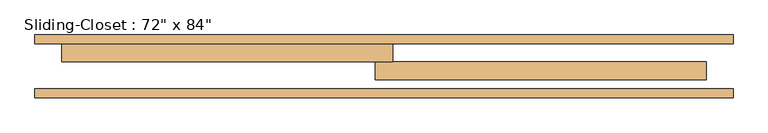
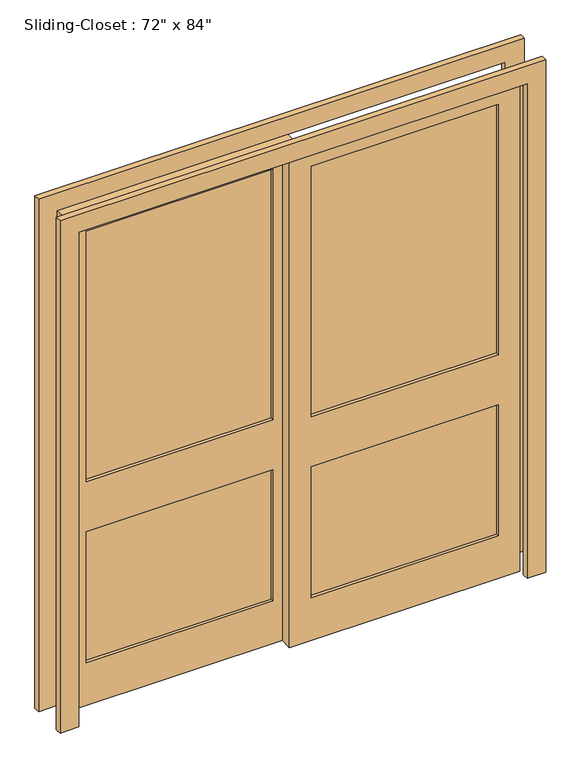
"""IFC4 building model written with IfcOpenShell, lengths in millimetres: door geometry."""

import ifcopenshell
import ifcopenshell.guid

model = None  # the IFC model being written
_history = None  # IfcOwnerHistory: only IFC2X3 demands one
_inside = {}  # id of a spatial element -> (the spatial element, [elements in it])
_under = {}  # id of a project, library or spatial element -> (it, [spatial elements below it])
_declared = {}  # id of a project -> (the project, [libraries it declares])
_typed = {}  # id of a type object -> (the type object, [elements of that type])
_made_of = {}  # id of a material, layer set ... -> (it, [elements and type objects made of it])


def new_model(schema):
    """Start an empty IFC model of exactly this schema.

    Asked for "IFC4X3", IfcOpenShell would pick the latest addendum, in which some entities
    have other attributes; the version numbers below select the first issue.
    IFC2X3 requires an IfcOwnerHistory on every rooted entity: one is made here for all.
    """
    global model, _history
    if schema == "IFC4X3":
        model = ifcopenshell.file(schema_version=(4, 3, 0, 0))
    else:
        model = ifcopenshell.file(schema=schema)
    _inside.clear()
    _under.clear()
    _declared.clear()
    _typed.clear()
    _made_of.clear()
    _history = None
    if model.schema == "IFC2X3":
        org = make("IfcOrganization", Name="unknown")
        user = make(
            "IfcPersonAndOrganization",
            ThePerson=make("IfcPerson", FamilyName="unknown"),
            TheOrganization=org,
        )
        app = make(
            "IfcApplication",
            ApplicationDeveloper=org,
            Version="unknown",
            ApplicationFullName="unknown",
            ApplicationIdentifier="unknown",
        )
        _history = make(
            "IfcOwnerHistory",
            OwningUser=user,
            OwningApplication=app,
            ChangeAction="ADDED",
            CreationDate=0,
        )
    return model


def make(cls, **values):
    """One entity of the class cls with the attributes given. An attribute that is None is left unset."""
    return model.create_entity(
        cls, **{name: value for name, value in values.items() if value is not None}
    )


def rooted(cls, **values):
    """An entity with a GlobalId (a new one), such as an element, a storey or a relation."""
    return make(cls, GlobalId=ifcopenshell.guid.new(), OwnerHistory=_history, **values)


def si_unit(unit_type, name, prefix=None):
    """IfcSIUnit, for example si_unit("LENGTHUNIT", "METRE", prefix="MILLI")."""
    return make("IfcSIUnit", UnitType=unit_type, Prefix=prefix, Name=name)


def assignment(units):
    """IfcUnitAssignment: the units of a project."""
    return None if units is None else make("IfcUnitAssignment", Units=units)


def point(xyz):
    """IfcCartesianPoint."""
    return None if xyz is None else make("IfcCartesianPoint", Coordinates=xyz)


def direction(xyz):
    """IfcDirection."""
    return None if xyz is None else make("IfcDirection", DirectionRatios=xyz)


def frame(location, z_axis=None, x_axis=None):
    """IfcAxis2Placement3D, a coordinate frame: its origin and axes. An axis left out is left unset."""
    return make(
        "IfcAxis2Placement3D",
        Location=point(location),
        Axis=direction(z_axis),
        RefDirection=direction(x_axis),
    )


def origin():
    """The frame at (0, 0, 0) with its axes left unset."""
    return frame((0.0, 0.0, 0.0))


def place(relative_to, where):
    """IfcLocalPlacement: puts the frame where relative to a parent placement (None: the world)."""
    return make(
        "IfcLocalPlacement", PlacementRelTo=relative_to, RelativePlacement=where
    )


def context(
    kind, dimensions, precision=None, world=None, true_north=None, identifier=None
):
    """IfcGeometricRepresentationContext, for example the 3D "Model" context."""
    return make(
        "IfcGeometricRepresentationContext",
        ContextIdentifier=identifier,
        ContextType=kind,
        CoordinateSpaceDimension=dimensions,
        Precision=precision,
        WorldCoordinateSystem=world,
        TrueNorth=true_north,
    )


def project(units=None, contexts=None):
    """IfcProject with its units and contexts."""
    return rooted(
        "IfcProject",
        Name="project",
        RepresentationContexts=contexts,
        UnitsInContext=assignment(units),
    )


def spatial(cls, under=None, at=None, **own):
    """A site, building, storey or space (cls), placed at a placement, below another one or the project."""
    s = rooted(cls, ObjectPlacement=at, **own)
    if under is not None:
        _under.setdefault(under.id(), (under, []))[1].append(s)
    return s


def polyline(points):
    """IfcPolyline through the points."""
    return make("IfcPolyline", Points=[point(p) for p in points])


def outline(outer, holes=None, kind="AREA"):
    """IfcArbitraryClosedProfileDef: a profile drawn as a closed curve; with holes, ...WithVoids."""
    if holes is None:
        return make("IfcArbitraryClosedProfileDef", ProfileType=kind, OuterCurve=outer)
    return make(
        "IfcArbitraryProfileDefWithVoids",
        ProfileType=kind,
        OuterCurve=outer,
        InnerCurves=holes,
    )


def extrude(swept, where, along, depth):
    """IfcExtrudedAreaSolid: the profile swept, set in the frame where, extruded along a direction by depth."""
    return make(
        "IfcExtrudedAreaSolid",
        SweptArea=swept,
        Position=where,
        ExtrudedDirection=direction(along),
        Depth=depth,
    )


def shape(context_of_items, identifier, shape_type, items):
    """IfcShapeRepresentation: the items that make up one representation, for example the "Body"."""
    return make(
        "IfcShapeRepresentation",
        ContextOfItems=context_of_items,
        RepresentationIdentifier=identifier,
        RepresentationType=shape_type,
        Items=items,
    )


def source(mapping_origin, context_of_items, identifier, shape_type, items):
    """IfcRepresentationMap: a shape defined once, which mapped items show again and again."""
    return make(
        "IfcRepresentationMap",
        MappingOrigin=mapping_origin,
        MappedRepresentation=shape(context_of_items, identifier, shape_type, items),
    )


def transform(
    local_origin,
    x_axis=None,
    y_axis=None,
    z_axis=None,
    scale=None,
    scale2=None,
    scale3=None,
    uniform=True,
):
    """IfcCartesianTransformationOperator3D, or its non-uniform kind. x_axis, y_axis, z_axis: its Axis1, 2, 3."""
    if uniform:
        return make(
            "IfcCartesianTransformationOperator3D",
            Axis1=direction(x_axis),
            Axis2=direction(y_axis),
            LocalOrigin=point(local_origin),
            Scale=scale,
            Axis3=direction(z_axis),
        )
    return make(
        "IfcCartesianTransformationOperator3DnonUniform",
        Axis1=direction(x_axis),
        Axis2=direction(y_axis),
        LocalOrigin=point(local_origin),
        Scale=scale,
        Axis3=direction(z_axis),
        Scale2=scale2,
        Scale3=scale3,
    )


def mapped(mapping_source, mapping_target):
    """IfcMappedItem: shows the shape of a source again, moved by a transform."""
    return make(
        "IfcMappedItem", MappingSource=mapping_source, MappingTarget=mapping_target
    )


def made_of(thing, what):
    """Note that an element or type object is made of a material, layer set ...; save() writes the relation."""
    if what is not None:
        _made_of.setdefault(what.id(), (what, []))[1].append(thing)
    return thing


def element(
    cls,
    number,
    at=None,
    inside=None,
    cuts=None,
    type_object=None,
    material=None,
    context=None,
    identifier="Body",
    shape_type=None,
    held_by="IfcProductDefinitionShape",
    body=None,
    shapes=None,
    **own,
):
    """One element of the class cls, such as IfcWall. Its Tag is "e" and its number.

    at: its placement. inside: the storey or other place that contains it. cuts: it is an
    opening in that element (IfcRelVoidsElement). A single representation is given by context,
    identifier, shape_type and body (its items); several are given by shapes. held_by: the class
    of the entity that holds the representations. save() writes the other relations.
    """
    e = rooted(cls, Tag="e%d" % number, ObjectPlacement=at, **own)
    if body is not None:
        shapes = [shape(context, identifier, shape_type, body)]
    if shapes is not None:
        e.Representation = make(held_by, Representations=shapes)
    if inside is not None:
        _inside.setdefault(inside.id(), (inside, []))[1].append(e)
    if cuts is not None:
        rooted(
            "IfcRelVoidsElement", RelatingBuildingElement=cuts, RelatedOpeningElement=e
        )
    if type_object is not None:
        _typed.setdefault(type_object.id(), (type_object, []))[1].append(e)
    return made_of(e, material)


def aggregate(whole, parts):
    """IfcRelAggregates: a whole, such as a stair, and the parts it consists of."""
    return rooted("IfcRelAggregates", RelatingObject=whole, RelatedObjects=parts)


def save(model, path):
    """Write the relations noted so far, then the file.

    IfcRelAggregates (storeys below a building ...), IfcRelContainedInSpatialStructure (elements
    in a storey), IfcRelDefinesByType, IfcRelAssociatesMaterial and IfcRelDeclares: one each for
    every whole, place, type object, material and project.
    """
    for whole, parts in _under.values():
        aggregate(whole, parts)
    for where, things in _inside.values():
        rooted(
            "IfcRelContainedInSpatialStructure",
            RelatedElements=things,
            RelatingStructure=where,
        )
    for kind, things in _typed.values():
        rooted("IfcRelDefinesByType", RelatedObjects=things, RelatingType=kind)
    for what, things in _made_of.values():
        rooted("IfcRelAssociatesMaterial", RelatedObjects=things, RelatingMaterial=what)
    for by, libraries in _declared.values():
        rooted("IfcRelDeclares", RelatingContext=by, RelatedDefinitions=libraries)
    model.write(path)


def door_eaef72e5(model_context):
    return source(origin(), model_context, "Body", "SweptSolid", [
        extrude(outline(polyline([(-63.5, 152.4), (-825.5, 152.4), (-825.5, 177.8), (-63.5, 177.8), (-63.5, 152.4)])), frame((0.0, 0.0, 965.2), z_axis=(0.0, 0.0, 1.0), x_axis=(1.0, 0.0, 0.0)), (0.0, 0.0, 1.0), 1079.5),
        extrude(outline(polyline([(-63.5, 152.4), (-825.5, 152.4), (-825.5, 177.8), (-63.5, 177.8), (-63.5, 152.4)])), frame((0.0, 0.0, 184.15), z_axis=(0.0, 0.0, 1.0), x_axis=(1.0, 0.0, 0.0)), (0.0, 0.0, 1.0), 565.15),
        extrude(outline(polyline([(63.5, 127.0), (825.5, 127.0), (825.5, 101.6), (63.5, 101.6), (63.5, 127.0)])), frame((0.0, 0.0, 965.2), z_axis=(0.0, 0.0, 1.0), x_axis=(1.0, 0.0, 0.0)), (0.0, 0.0, 1.0), 1079.5),
        extrude(outline(polyline([(63.5, 127.0), (825.5, 127.0), (825.5, 101.6), (63.5, 101.6), (63.5, 127.0)])), frame((0.0, 0.0, 184.15), z_axis=(0.0, 0.0, 1.0), x_axis=(1.0, 0.0, 0.0)), (0.0, 0.0, 1.0), 565.15),
        extrude(outline(polyline([(2133.6, 25.4), (2133.6, -914.4), (0.0, -914.4), (0.0, 25.4), (2133.6, 25.4)]), holes=[polyline([(184.15, -825.5), (749.3, -825.5), (749.3, -63.5), (184.15, -63.5), (184.15, -825.5)]), polyline([(965.2, -825.5), (2044.7, -825.5), (2044.7, -63.5), (965.2, -63.5), (965.2, -825.5)])]), frame((0.0, 139.7, 0.0), z_axis=(0.0, 1.0, 0.0), x_axis=(0.0, 0.0, 1.0)), (0.0, 0.0, 1.0), 50.8),
        extrude(outline(polyline([(0.0, -990.6), (0.0, -914.4), (2133.6, -914.4), (2133.6, 914.4), (0.0, 914.4), (0.0, 990.6), (2209.8, 990.6), (2209.8, -990.6), (0.0, -990.6)])), frame((0.0, 38.1, 0.0), z_axis=(0.0, 1.0, 0.0), x_axis=(0.0, 0.0, 1.0)), (0.0, 0.0, 1.0), 25.4),
        extrude(outline(polyline([(0.0, 990.6), (2209.8, 990.6), (2209.8, -990.6), (0.0, -990.6), (0.0, -914.4), (2133.6, -914.4), (2133.6, 914.4), (0.0, 914.4), (0.0, 990.6)])), frame((0.0, 190.5, 0.0), z_axis=(0.0, 1.0, 0.0), x_axis=(0.0, 0.0, 1.0)), (0.0, 0.0, 1.0), 25.4),
        extrude(outline(polyline([(2133.6, -25.4), (0.0, -25.4), (0.0, 914.4), (2133.6, 914.4), (2133.6, -25.4)]), holes=[polyline([(965.2, 825.5), (965.2, 63.5), (2044.7, 63.5), (2044.7, 825.5), (965.2, 825.5)]), polyline([(184.15, 825.5), (184.15, 63.5), (749.3, 63.5), (749.3, 825.5), (184.15, 825.5)])]), frame((0.0, 88.9, 0.0), z_axis=(0.0, 1.0, 0.0), x_axis=(0.0, 0.0, 1.0)), (0.0, 0.0, 1.0), 50.8),
    ])


if __name__ == "__main__":
    model = new_model("IFC4")
    model_context = context("Model", 3, world=origin())
    ifc_project = project(units=[si_unit("LENGTHUNIT", "METRE", prefix="MILLI")], contexts=[model_context])
    site = spatial("IfcSite", under=ifc_project)
    building = spatial("IfcBuilding", under=site)
    placement = place(None, origin())
    door_shape = door_eaef72e5(model_context)
    element("IfcDoor", 1, ObjectType="Sliding-Closet : 72\" x 84\"", at=placement, inside=building, context=model_context, shape_type="MappedRepresentation", body=[
        mapped(door_shape, transform((0.0, 0.0, 0.0), x_axis=(1.0, 0.0, 0.0), y_axis=(0.0, 1.0, 0.0), z_axis=(0.0, 0.0, 1.0))),
    ])
    save(model, "model.ifc")
